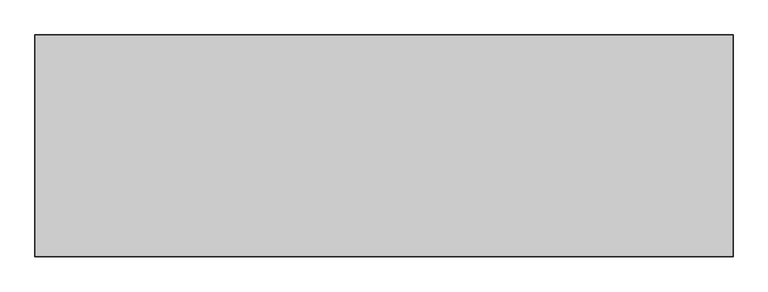
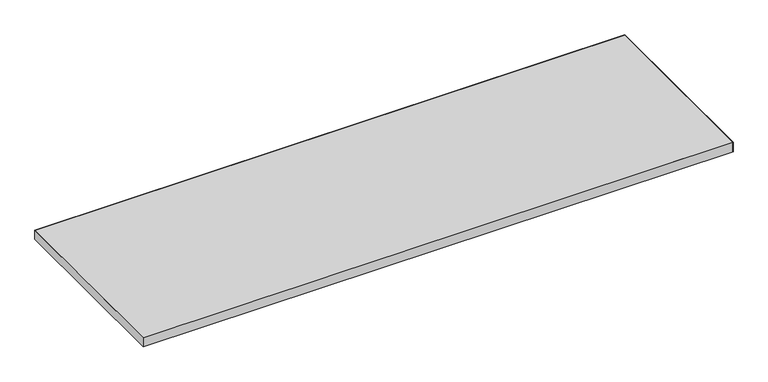
"""IFC4 building model written with IfcOpenShell, lengths in millimetres: furniture geometry."""

import ifcopenshell
import ifcopenshell.guid

model = None  # the IFC model being written
_history = None  # IfcOwnerHistory: only IFC2X3 demands one
_inside = {}  # id of a spatial element -> (the spatial element, [elements in it])
_under = {}  # id of a project, library or spatial element -> (it, [spatial elements below it])
_declared = {}  # id of a project -> (the project, [libraries it declares])
_typed = {}  # id of a type object -> (the type object, [elements of that type])
_made_of = {}  # id of a material, layer set ... -> (it, [elements and type objects made of it])


def new_model(schema):
    """Start an empty IFC model of exactly this schema.

    Asked for "IFC4X3", IfcOpenShell would pick the latest addendum, in which some entities
    have other attributes; the version numbers below select the first issue.
    IFC2X3 requires an IfcOwnerHistory on every rooted entity: one is made here for all.
    """
    global model, _history
    if schema == "IFC4X3":
        model = ifcopenshell.file(schema_version=(4, 3, 0, 0))
    else:
        model = ifcopenshell.file(schema=schema)
    _inside.clear()
    _under.clear()
    _declared.clear()
    _typed.clear()
    _made_of.clear()
    _history = None
    if model.schema == "IFC2X3":
        org = make("IfcOrganization", Name="unknown")
        user = make(
            "IfcPersonAndOrganization",
            ThePerson=make("IfcPerson", FamilyName="unknown"),
            TheOrganization=org,
        )
        app = make(
            "IfcApplication",
            ApplicationDeveloper=org,
            Version="unknown",
            ApplicationFullName="unknown",
            ApplicationIdentifier="unknown",
        )
        _history = make(
            "IfcOwnerHistory",
            OwningUser=user,
            OwningApplication=app,
            ChangeAction="ADDED",
            CreationDate=0,
        )
    return model


def make(cls, **values):
    """One entity of the class cls with the attributes given. An attribute that is None is left unset."""
    return model.create_entity(
        cls, **{name: value for name, value in values.items() if value is not None}
    )


def rooted(cls, **values):
    """An entity with a GlobalId (a new one), such as an element, a storey or a relation."""
    return make(cls, GlobalId=ifcopenshell.guid.new(), OwnerHistory=_history, **values)


def si_unit(unit_type, name, prefix=None):
    """IfcSIUnit, for example si_unit("LENGTHUNIT", "METRE", prefix="MILLI")."""
    return make("IfcSIUnit", UnitType=unit_type, Prefix=prefix, Name=name)


def assignment(units):
    """IfcUnitAssignment: the units of a project."""
    return None if units is None else make("IfcUnitAssignment", Units=units)


def point(xyz):
    """IfcCartesianPoint."""
    return None if xyz is None else make("IfcCartesianPoint", Coordinates=xyz)


def direction(xyz):
    """IfcDirection."""
    return None if xyz is None else make("IfcDirection", DirectionRatios=xyz)


def frame(location, z_axis=None, x_axis=None):
    """IfcAxis2Placement3D, a coordinate frame: its origin and axes. An axis left out is left unset."""
    return make(
        "IfcAxis2Placement3D",
        Location=point(location),
        Axis=direction(z_axis),
        RefDirection=direction(x_axis),
    )


def origin():
    """The frame at (0, 0, 0) with its axes left unset."""
    return frame((0.0, 0.0, 0.0))


def place(relative_to, where):
    """IfcLocalPlacement: puts the frame where relative to a parent placement (None: the world)."""
    return make(
        "IfcLocalPlacement", PlacementRelTo=relative_to, RelativePlacement=where
    )


def context(
    kind, dimensions, precision=None, world=None, true_north=None, identifier=None
):
    """IfcGeometricRepresentationContext, for example the 3D "Model" context."""
    return make(
        "IfcGeometricRepresentationContext",
        ContextIdentifier=identifier,
        ContextType=kind,
        CoordinateSpaceDimension=dimensions,
        Precision=precision,
        WorldCoordinateSystem=world,
        TrueNorth=true_north,
    )


def project(units=None, contexts=None):
    """IfcProject with its units and contexts."""
    return rooted(
        "IfcProject",
        Name="project",
        RepresentationContexts=contexts,
        UnitsInContext=assignment(units),
    )


def spatial(cls, under=None, at=None, **own):
    """A site, building, storey or space (cls), placed at a placement, below another one or the project."""
    s = rooted(cls, ObjectPlacement=at, **own)
    if under is not None:
        _under.setdefault(under.id(), (under, []))[1].append(s)
    return s


def polyline(points):
    """IfcPolyline through the points."""
    return make("IfcPolyline", Points=[point(p) for p in points])


def outline(outer, holes=None, kind="AREA"):
    """IfcArbitraryClosedProfileDef: a profile drawn as a closed curve; with holes, ...WithVoids."""
    if holes is None:
        return make("IfcArbitraryClosedProfileDef", ProfileType=kind, OuterCurve=outer)
    return make(
        "IfcArbitraryProfileDefWithVoids",
        ProfileType=kind,
        OuterCurve=outer,
        InnerCurves=holes,
    )


def extrude(swept, where, along, depth):
    """IfcExtrudedAreaSolid: the profile swept, set in the frame where, extruded along a direction by depth."""
    return make(
        "IfcExtrudedAreaSolid",
        SweptArea=swept,
        Position=where,
        ExtrudedDirection=direction(along),
        Depth=depth,
    )


def shape(context_of_items, identifier, shape_type, items):
    """IfcShapeRepresentation: the items that make up one representation, for example the "Body"."""
    return make(
        "IfcShapeRepresentation",
        ContextOfItems=context_of_items,
        RepresentationIdentifier=identifier,
        RepresentationType=shape_type,
        Items=items,
    )


def source(mapping_origin, context_of_items, identifier, shape_type, items):
    """IfcRepresentationMap: a shape defined once, which mapped items show again and again."""
    return make(
        "IfcRepresentationMap",
        MappingOrigin=mapping_origin,
        MappedRepresentation=shape(context_of_items, identifier, shape_type, items),
    )


def transform(
    local_origin,
    x_axis=None,
    y_axis=None,
    z_axis=None,
    scale=None,
    scale2=None,
    scale3=None,
    uniform=True,
):
    """IfcCartesianTransformationOperator3D, or its non-uniform kind. x_axis, y_axis, z_axis: its Axis1, 2, 3."""
    if uniform:
        return make(
            "IfcCartesianTransformationOperator3D",
            Axis1=direction(x_axis),
            Axis2=direction(y_axis),
            LocalOrigin=point(local_origin),
            Scale=scale,
            Axis3=direction(z_axis),
        )
    return make(
        "IfcCartesianTransformationOperator3DnonUniform",
        Axis1=direction(x_axis),
        Axis2=direction(y_axis),
        LocalOrigin=point(local_origin),
        Scale=scale,
        Axis3=direction(z_axis),
        Scale2=scale2,
        Scale3=scale3,
    )


def mapped(mapping_source, mapping_target):
    """IfcMappedItem: shows the shape of a source again, moved by a transform."""
    return make(
        "IfcMappedItem", MappingSource=mapping_source, MappingTarget=mapping_target
    )


def made_of(thing, what):
    """Note that an element or type object is made of a material, layer set ...; save() writes the relation."""
    if what is not None:
        _made_of.setdefault(what.id(), (what, []))[1].append(thing)
    return thing


def element(
    cls,
    number,
    at=None,
    inside=None,
    cuts=None,
    type_object=None,
    material=None,
    context=None,
    identifier="Body",
    shape_type=None,
    held_by="IfcProductDefinitionShape",
    body=None,
    shapes=None,
    **own,
):
    """One element of the class cls, such as IfcWall. Its Tag is "e" and its number.

    at: its placement. inside: the storey or other place that contains it. cuts: it is an
    opening in that element (IfcRelVoidsElement). A single representation is given by context,
    identifier, shape_type and body (its items); several are given by shapes. held_by: the class
    of the entity that holds the representations. save() writes the other relations.
    """
    e = rooted(cls, Tag="e%d" % number, ObjectPlacement=at, **own)
    if body is not None:
        shapes = [shape(context, identifier, shape_type, body)]
    if shapes is not None:
        e.Representation = make(held_by, Representations=shapes)
    if inside is not None:
        _inside.setdefault(inside.id(), (inside, []))[1].append(e)
    if cuts is not None:
        rooted(
            "IfcRelVoidsElement", RelatingBuildingElement=cuts, RelatedOpeningElement=e
        )
    if type_object is not None:
        _typed.setdefault(type_object.id(), (type_object, []))[1].append(e)
    return made_of(e, material)


def aggregate(whole, parts):
    """IfcRelAggregates: a whole, such as a stair, and the parts it consists of."""
    return rooted("IfcRelAggregates", RelatingObject=whole, RelatedObjects=parts)


def save(model, path):
    """Write the relations noted so far, then the file.

    IfcRelAggregates (storeys below a building ...), IfcRelContainedInSpatialStructure (elements
    in a storey), IfcRelDefinesByType, IfcRelAssociatesMaterial and IfcRelDeclares: one each for
    every whole, place, type object, material and project.
    """
    for whole, parts in _under.values():
        aggregate(whole, parts)
    for where, things in _inside.values():
        rooted(
            "IfcRelContainedInSpatialStructure",
            RelatedElements=things,
            RelatingStructure=where,
        )
    for kind, things in _typed.values():
        rooted("IfcRelDefinesByType", RelatedObjects=things, RelatingType=kind)
    for what, things in _made_of.values():
        rooted("IfcRelAssociatesMaterial", RelatedObjects=things, RelatingMaterial=what)
    for by, libraries in _declared.values():
        rooted("IfcRelDeclares", RelatingContext=by, RelatedDefinitions=libraries)
    model.write(path)


def furniture_2c1c46b2(model_context):
    return source(origin(), model_context, "Body", "SweptSolid", [
        extrude(outline(polyline([(1827.784, -1.016), (1827.784, -580.1359908), (1.016, -580.1359908), (1.016, -1.016), (1827.784, -1.016)])), frame((0.0, 0.0, 697.2297529), z_axis=(0.0, 0.0, 1.0), x_axis=(1.0, 0.0, 0.0)), (0.0, 0.0, 1.0), 29.972),
        extrude(outline(polyline([(1828.8, -581.1519908), (0.0, -581.1519908), (0.0, 0.0), (1828.8, 0.0), (1828.8, -581.1519908)]), holes=[polyline([(1827.784, -1.016), (1.016, -1.016), (1.016, -580.1359908), (1827.784, -580.1359908), (1827.784, -1.016)])]), frame((0.0, 0.0, 697.2297529), z_axis=(0.0, 0.0, 1.0), x_axis=(1.0, 0.0, 0.0)), (0.0, 0.0, 1.0), 29.972),
    ])


if __name__ == "__main__":
    model = new_model("IFC4")
    model_context = context("Model", 3, world=origin())
    ifc_project = project(units=[si_unit("LENGTHUNIT", "METRE", prefix="MILLI")], contexts=[model_context])
    site = spatial("IfcSite", under=ifc_project)
    building = spatial("IfcBuilding", under=site)
    placement = place(None, origin())
    furniture_shape = furniture_2c1c46b2(model_context)
    element("IfcFurniture", 1, at=placement, inside=building, context=model_context, shape_type="MappedRepresentation", body=[
        mapped(furniture_shape, transform((0.0, 0.0, 0.0), x_axis=(1.0, 0.0, 0.0), y_axis=(0.0, 1.0, 0.0), z_axis=(0.0, 0.0, 1.0))),
    ])
    save(model, "model.ifc")
